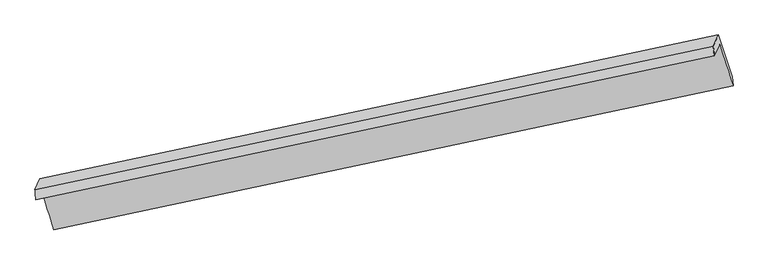
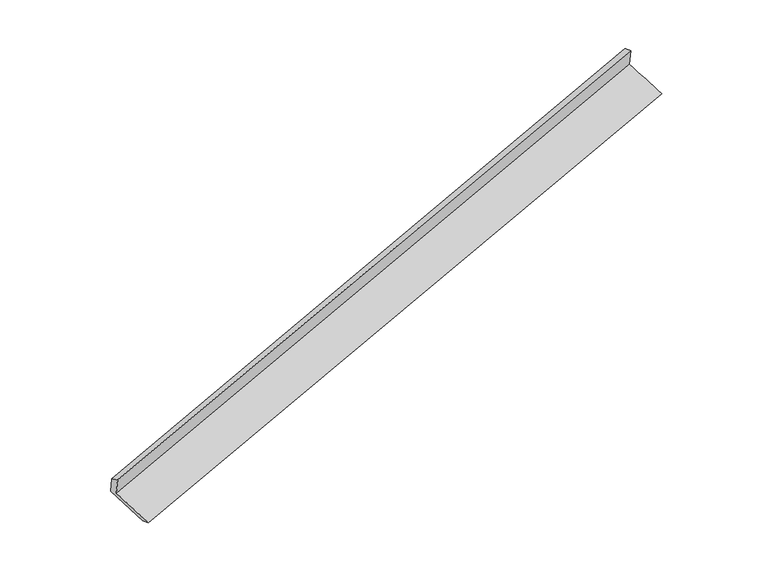
"""IFC4 building model written with IfcOpenShell, lengths in millimetres: proxy geometry."""

from ifc_helpers import new_model, si_unit, frame, origin, place, context, project, spatial, source, transform, mapped, element, save
from ifc_brep_helpers import plane_surface, spline_surface, advanced_brep


def generic_models_bf508c79(model_context):
    return source(origin(), model_context, "Body", "AdvancedBrep", [
        advanced_brep(
        [(-8462.5623966, -2644.6617326, 676.3531646), (-8381.102955, -2464.9335759, 275.0574765), (2586.7737588, -135.6665159, 3532.7438311), (2503.4927198, -319.4137567, 3943.0133003), (-8476.0596146, -2479.584539, 606.222028), (2485.8592125, -162.4780676, 3890.6833508), (-8397.9916469, -2307.3391657, 221.633843), (2567.570375, 17.8054739, 3488.1476037), (-8183.2731234, -2976.7787469, -34.6018804), (2788.0899687, -659.9662332, 3229.3577395), (-8168.3394524, -3128.2778825, 21.1547898), (2805.3119918, -807.3484683, 3276.2791847)],
        [
            (0, 1),
            (1, 2),
            (2, 3),
            (3, 0),
            (4, 0),
            (3, 5),
            (5, 4),
            (6, 4),
            (5, 7),
            (7, 6),
            (8, 6),
            (7, 9),
            (9, 8),
            (10, 8),
            (9, 11),
            (11, 10),
            (1, 10),
            (11, 2),
        ],
        [
            plane_surface(frame((-8421.8326758, -2554.7976542, 475.7053206), z_axis=(0.29115146154811294, -0.893767376011428, -0.3411901288373458), x_axis=(0.1821597421070447, 0.40190841043575687, -0.8973781020152533))),
            spline_surface(1, 1, [[(-8476.0596146, -2479.584539, 606.222028), (2485.8592125, -162.4780676, 3890.6833508)], [(-8462.5623966, -2644.6617326, 676.3531646), (2503.4927198, -319.4137567, 3943.0133003)]], [2, 2], [2, 2], [0.0, 1.0], [0.0, 1.0]),
            plane_surface(frame((-8437.0256307, -2393.4618523, 413.9279355), z_axis=(-0.29115156329092, 0.8937673544401346, 0.3411900985232962), x_axis=(-0.1821597421072607, -0.4019084104357678, 0.8973781020152045))),
            spline_surface(1, 1, [[(-8183.2731234, -2976.7787469, -34.6018804), (2788.0899687, -659.9662332, 3229.3577395)], [(-8397.9916469, -2307.3391657, 221.633843), (2567.570375, 17.8054739, 3488.1476037)]], [2, 2], [2, 2], [0.0, 1.0], [0.0, 1.0]),
            spline_surface(1, 1, [[(-8168.3394524, -3128.2778825, 21.1547898), (2805.3119918, -807.3484683, 3276.2791847)], [(-8183.2731234, -2976.7787469, -34.6018804), (2788.0899687, -659.9662332, 3229.3577395)]], [2, 2], [2, 2], [0.0, 1.0], [0.0, 1.0]),
            spline_surface(1, 1, [[(-8381.102955, -2464.9335759, 275.0574765), (2586.7737588, -135.6665159, 3532.7438311)], [(-8168.3394524, -3128.2778825, 21.1547898), (2805.3119918, -807.3484683, 3276.2791847)]], [2, 2], [2, 2], [0.0, 1.0], [0.0, 1.0]),
            plane_surface(frame((2622.8496711, -344.5112613, 3560.0375017), z_axis=(0.9392775152248599, 0.1988052723245284, 0.2797037952709676), x_axis=(-0.29081880569941077, 0.8938378450910156, 0.34128921596589906))),
            plane_surface(frame((-8344.8881981, -2666.9292738, 294.3032369), z_axis=(-0.9404658235543126, -0.1951268759456571, -0.27829756917730486), x_axis=(-0.1821597421070853, -0.40190841043572817, 0.8973781020152578))),
        ],
        [
            (0, [[1, 2, 3, 4]]),
            (1, [[5, -4, 6, 7]]),
            (2, [[8, -7, 9, 10]]),
            (3, [[11, -10, 12, 13]]),
            (4, [[14, -13, 15, 16]]),
            (5, [[17, -16, 18, -2]]),
            (6, [[-12, -9, -6, -3, -18, -15]]),
            (7, [[-1, -5, -8, -11, -14, -17]]),
        ],
    ),
    ])


if __name__ == "__main__":
    model = new_model("IFC4")
    model_context = context("Model", 3, world=origin())
    ifc_project = project(units=[si_unit("LENGTHUNIT", "METRE", prefix="MILLI")], contexts=[model_context])
    site = spatial("IfcSite", under=ifc_project)
    building = spatial("IfcBuilding", under=site)
    placement = place(None, origin())
    generic_models_shape = generic_models_bf508c79(model_context)
    element("IfcBuildingElementProxy", 1, Name="Generic Models", at=placement, inside=building, context=model_context, shape_type="MappedRepresentation", body=[
        mapped(generic_models_shape, transform((0.0, 0.0, 0.0), x_axis=(1.0, 0.0, 0.0), y_axis=(0.0, 1.0, 0.0), z_axis=(0.0, 0.0, 1.0))),
    ])
    save(model, "model.ifc")
